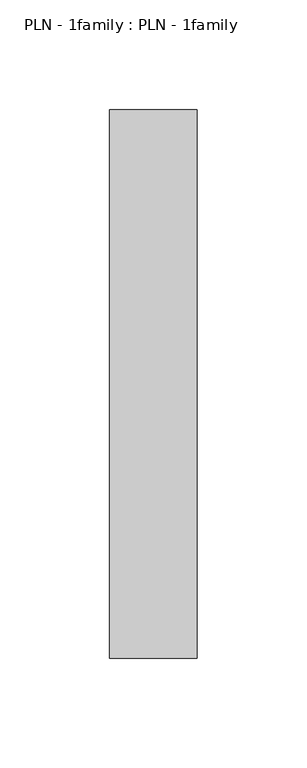
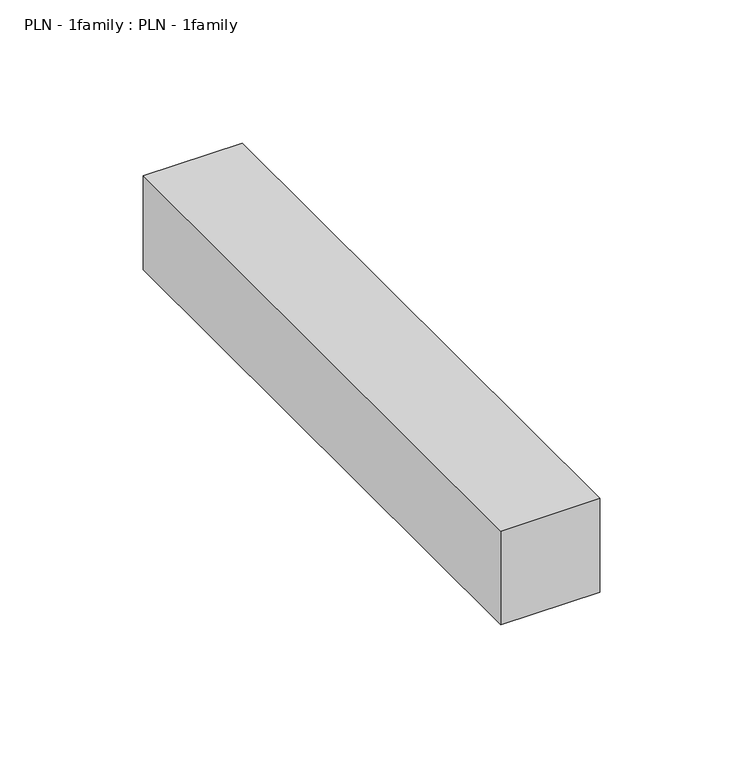
"""IFC4 building model written with IfcOpenShell, lengths in millimetres: proxy geometry, PLN - 1family : PLN - 1family."""

from ifc_helpers import new_model, si_unit, frame, origin, place, context, project, spatial, polyline, outline, extrude, source, transform, mapped, element, save


def pln_1family_pln_1family_a20e2aca(model_context):
    return source(origin(), model_context, "Body", "SweptSolid", [
        extrude(outline(polyline([(0.0, -250.0), (0.0, 0.0), (40.0, 0.0), (40.0, -250.0), (0.0, -250.0)])), frame((0.0, 0.0, 200.0), z_axis=(0.0, 0.0, 1.0), x_axis=(1.0, 0.0, 0.0)), (0.0, 0.0, 1.0), 40.0),
    ])


if __name__ == "__main__":
    model = new_model("IFC4")
    model_context = context("Model", 3, world=origin())
    ifc_project = project(units=[si_unit("LENGTHUNIT", "METRE", prefix="MILLI")], contexts=[model_context])
    site = spatial("IfcSite", under=ifc_project)
    building = spatial("IfcBuilding", under=site)
    placement = place(None, origin())
    pln_1family_pln_1family_shape = pln_1family_pln_1family_a20e2aca(model_context)
    element("IfcBuildingElementProxy", 1, Name="PLN - 1family : PLN - 1family", ObjectType="PLN - 1family : PLN - 1family", at=placement, inside=building, context=model_context, shape_type="MappedRepresentation", body=[
        mapped(pln_1family_pln_1family_shape, transform((0.0, 0.0, 0.0), x_axis=(1.0, 0.0, 0.0), y_axis=(0.0, 1.0, 0.0), z_axis=(0.0, 0.0, 1.0))),
    ])
    save(model, "model.ifc")
